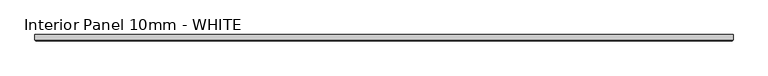
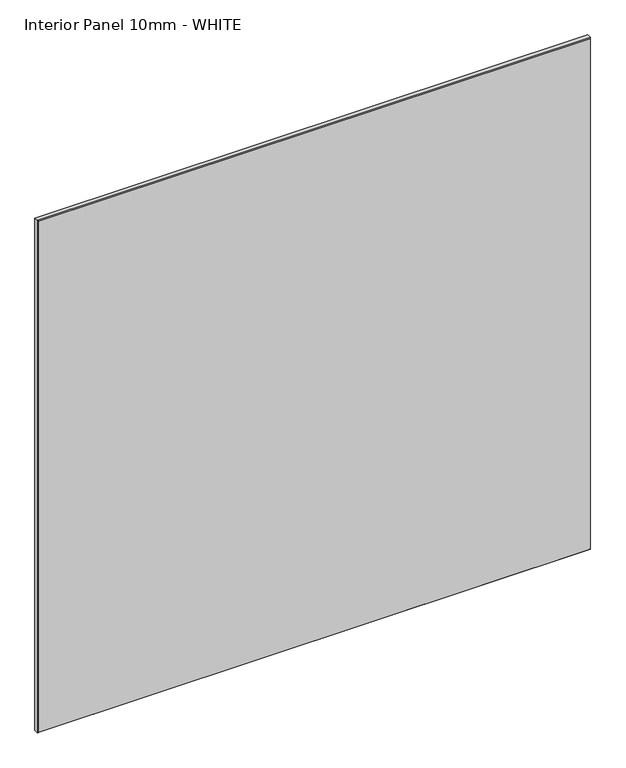
"""IFC4 building model written with IfcOpenShell, lengths in millimetres: proxy geometry, Interior Panel 10mm - WHITE."""

from ifc_helpers import new_model, si_unit, origin, place, context, project, spatial, faceted_brep, source, transform, mapped, element, save


def interior_panel_10mm_white_92e3c2b4(model_context):
    return source(origin(), model_context, "Body", "Brep", [
        faceted_brep([(990.6, 3.175, 1041.4), (-73.025, 3.175, 1041.4), (-73.025, -4.7625, 1041.4), (990.6, -4.7625, 1041.4), (990.6, 3.175, 0.0), (990.6, -4.7625, 0.0), (-73.025, -4.7625, 0.0), (-73.025, 3.175, 0.0), (-71.4375, -6.35, 1039.8125), (-71.4375, -6.35, 1.5875), (989.0125, -6.35, 1.5875), (989.0125, -6.35, 1039.8125)], [[[0, 1, 2, 3]], [[4, 5, 6, 7]], [[1, 0, 4, 7]], [[2, 1, 7, 6]], [[8, 9, 10, 11]], [[0, 3, 5, 4]], [[2, 6, 9, 8]], [[5, 3, 11, 10]], [[3, 2, 8, 11]], [[6, 5, 10, 9]]]),
    ])


if __name__ == "__main__":
    model = new_model("IFC4")
    model_context = context("Model", 3, world=origin())
    ifc_project = project(units=[si_unit("LENGTHUNIT", "METRE", prefix="MILLI")], contexts=[model_context])
    site = spatial("IfcSite", under=ifc_project)
    building = spatial("IfcBuilding", under=site)
    placement = place(None, origin())
    interior_panel_10mm_white_shape = interior_panel_10mm_white_92e3c2b4(model_context)
    element("IfcBuildingElementProxy", 1, Name="Interior Panel 10mm - WHITE", ObjectType="Interior Panel 10mm - WHITE", at=placement, inside=building, context=model_context, shape_type="MappedRepresentation", body=[
        mapped(interior_panel_10mm_white_shape, transform((0.0, 0.0, 0.0), x_axis=(1.0, 0.0, 0.0), y_axis=(0.0, 1.0, 0.0), z_axis=(0.0, 0.0, 1.0))),
    ])
    save(model, "model.ifc")
